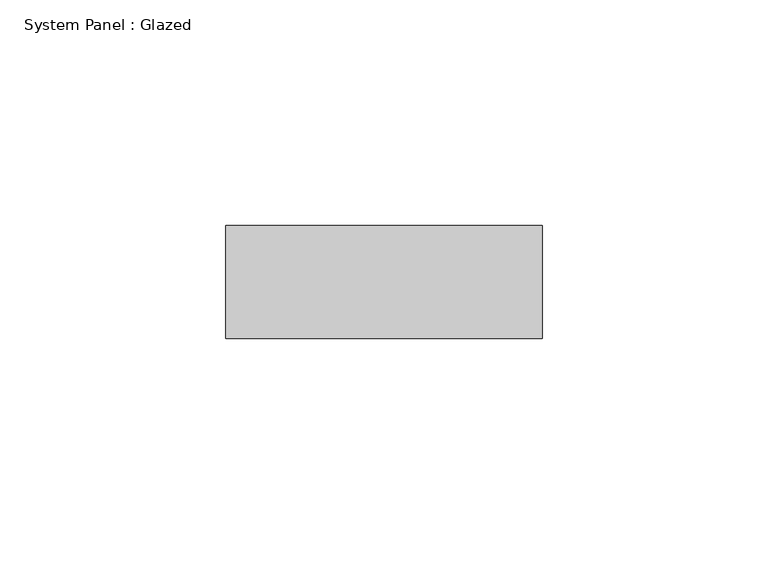
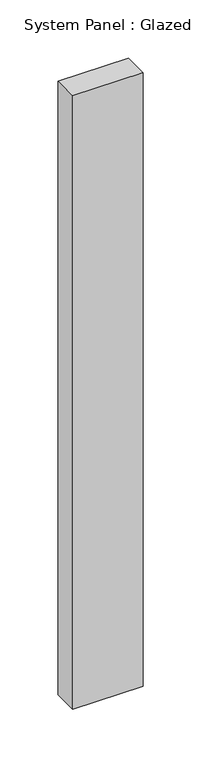
"""IFC4 building model written with IfcOpenShell, lengths in millimetres: plate geometry, System Panel : Glazed."""

from ifc_helpers import new_model, si_unit, origin, origin_with_axes, place, context, project, spatial, polyline, outline, extrude, source, transform, mapped, element, save


def system_panel_glazed_530aadec(model_context):
    return source(origin(), model_context, "Body", "SweptSolid", [
        extrude(outline(polyline([(35.0, -49.5), (-35.0, -49.5), (-35.0, -24.5), (35.0, -24.5), (35.0, -49.5)])), origin_with_axes(), (0.0, 0.0, 1.0), 645.0),
    ])


if __name__ == "__main__":
    model = new_model("IFC4")
    model_context = context("Model", 3, world=origin())
    ifc_project = project(units=[si_unit("LENGTHUNIT", "METRE", prefix="MILLI")], contexts=[model_context])
    site = spatial("IfcSite", under=ifc_project)
    building = spatial("IfcBuilding", under=site)
    placement = place(None, origin())
    system_panel_glazed_shape = system_panel_glazed_530aadec(model_context)
    element("IfcPlate", 1, ObjectType="System Panel : Glazed", at=placement, inside=building, context=model_context, shape_type="MappedRepresentation", body=[
        mapped(system_panel_glazed_shape, transform((0.0, 0.0, 0.0), x_axis=(1.0, 0.0, 0.0), y_axis=(0.0, 1.0, 0.0), z_axis=(0.0, 0.0, 1.0))),
    ])
    save(model, "model.ifc")
